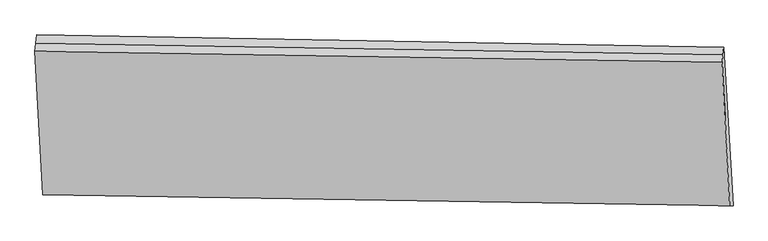
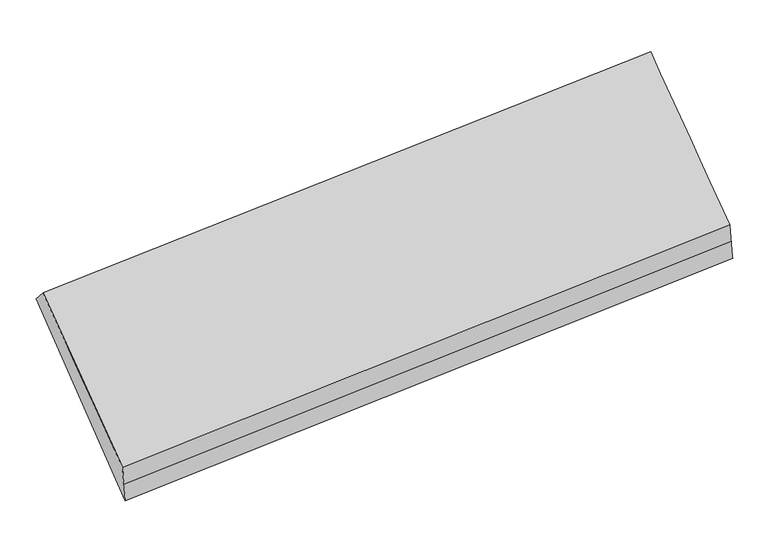
"""IFC4 building model written with IfcOpenShell, lengths in millimetres: proxy geometry."""

from ifc_helpers import new_model, si_unit, frame, origin, place, context, project, spatial, source, transform, mapped, element, save
from ifc_brep_helpers import plane_surface, spline_surface, advanced_brep


def generic_models_4f86da18(model_context):
    return source(origin(), model_context, "Body", "AdvancedBrep", [
        advanced_brep(
        [(-5276.7694057, -895.0616037, 2359.0992756), (-5223.4036664, -1886.6535908, 1487.309035), (-474.7122144, -1962.3774636, 1893.6305129), (-527.0861345, -972.1139548, 2752.8115572), (-5211.7640663, -1885.4477202, 1342.8618565), (-463.144761, -1961.8823226, 1749.9309003), (-5200.1244662, -1884.2418495, 1198.414678), (-451.5773077, -1961.3871816, 1606.2312876), (-5265.2862085, -781.9386704, 2240.1133248), (-516.3244045, -866.0983181, 2641.3012652), (-5271.0278071, -838.500137, 2299.6063002), (-521.7052695, -919.1061365, 2697.0564112)],
        [
            (0, 1),
            (1, 2),
            (2, 3),
            (3, 0),
            (1, 4),
            (4, 5),
            (5, 2),
            (4, 6),
            (6, 7),
            (7, 5),
            (6, 8),
            (8, 9),
            (9, 7),
            (8, 10),
            (10, 11),
            (11, 9),
            (10, 0),
            (3, 11),
        ],
        [
            spline_surface(1, 1, [[(-5276.7694057, -895.0616037, 2359.0992756), (-527.0861345, -972.1139548, 2752.8115572)], [(-5223.4036664, -1886.6535908, 1487.309035), (-474.7122144, -1962.3774636, 1893.6305129)]], [2, 2], [2, 2], [0.0, 1.0], [0.0, 1.0]),
            spline_surface(1, 1, [[(-5223.4036664, -1886.6535908, 1487.309035), (-474.7122144, -1962.3774636, 1893.6305129)], [(-5211.7640663, -1885.4477202, 1342.8618565), (-463.144761, -1961.8823226, 1749.9309003)]], [2, 2], [2, 2], [0.0, 1.0], [0.0, 1.0]),
            spline_surface(1, 1, [[(-5211.7640663, -1885.4477202, 1342.8618565), (-463.144761, -1961.8823226, 1749.9309003)], [(-5200.1244662, -1884.2418495, 1198.414678), (-451.5773077, -1961.3871816, 1606.2312876)]], [2, 2], [2, 2], [0.0, 1.0], [0.0, 1.0]),
            plane_surface(frame((-5232.7053374, -1333.0902599, 1719.2640014), z_axis=(0.07323186042240454, 0.6872838007031017, -0.7226880875662565), x_axis=(-0.04292483423932541, 0.7261343780694656, 0.6862115734896906))),
            plane_surface(frame((-5268.1570078, -810.2194037, 2269.8598125), z_axis=(-0.04508674797136261, 0.726169212969959, 0.6860360480994838), x_axis=(-0.06977306982756513, -0.6873464102566172, 0.7229706986000053))),
            plane_surface(frame((-5273.8986064, -866.7808704, 2329.3527879), z_axis=(-0.04508674797136236, 0.7261692129699615, 0.6860360480994813), x_axis=(-0.06977306982756383, -0.6873464102566148, 0.722970698600008))),
            plane_surface(frame((-492.4250153, -1440.4942295, 2223.4936557), z_axis=(0.9966389403050457, -0.016845690636285666, 0.08016885539049542), x_axis=(-0.06977306982756448, -0.687346410256616, 0.7229706986000066))),
            plane_surface(frame((-5241.3959367, -1361.9739286, 1821.2340784), z_axis=(-0.996638940305045, 0.016845690636277666, -0.08016885539050654), x_axis=(0.06977306982756706, 0.6873464102566159, -0.7229706986000064))),
        ],
        [
            (0, [[1, 2, 3, 4]]),
            (1, [[5, 6, 7, -2]]),
            (2, [[8, 9, 10, -6]]),
            (3, [[11, 12, 13, -9]]),
            (4, [[14, 15, 16, -12]]),
            (5, [[17, -4, 18, -15]]),
            (6, [[-16, -18, -3, -7, -10, -13]]),
            (7, [[-17, -14, -11, -8, -5, -1]]),
        ],
    ),
    ])


if __name__ == "__main__":
    model = new_model("IFC4")
    model_context = context("Model", 3, world=origin())
    ifc_project = project(units=[si_unit("LENGTHUNIT", "METRE", prefix="MILLI")], contexts=[model_context])
    site = spatial("IfcSite", under=ifc_project)
    building = spatial("IfcBuilding", under=site)
    placement = place(None, origin())
    generic_models_shape = generic_models_4f86da18(model_context)
    element("IfcBuildingElementProxy", 1, Name="Generic Models", at=placement, inside=building, context=model_context, shape_type="MappedRepresentation", body=[
        mapped(generic_models_shape, transform((0.0, 0.0, 0.0), x_axis=(1.0, 0.0, 0.0), y_axis=(0.0, 1.0, 0.0), z_axis=(0.0, 0.0, 1.0))),
    ])
    save(model, "model.ifc")
